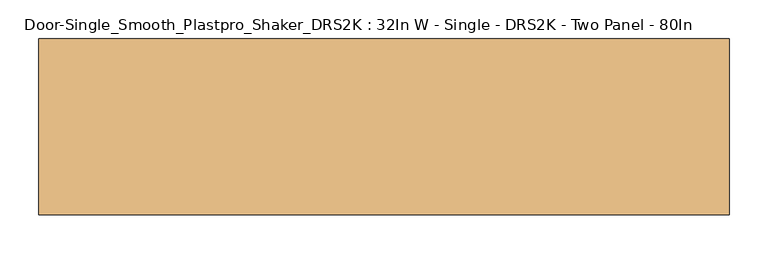
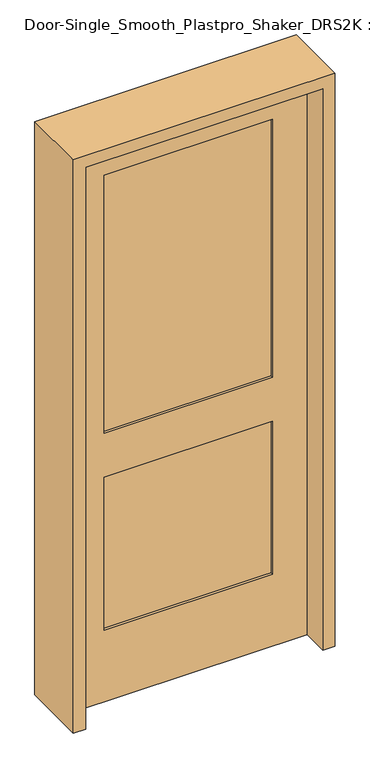
"""IFC4 building model written with IfcOpenShell, lengths in millimetres: door geometry, Door-Single_Smooth_Plastpro_Shaker_DRS2K : 32In W - Single - DRS2K - Two Panel - 80In."""

from ifc_helpers import new_model, si_unit, frame, origin, place, context, project, spatial, polyline, outline, extrude, faceted_brep, source, transform, mapped, element, save


def door_single_smooth_plastpro_shaker_drs2k_32in_w_single_drs2k_82dc8b03(model_context):
    return source(origin(), model_context, "Body", "SolidModel", [
        faceted_brep([(406.4, 20.6375, 2032.0), (-406.4, 20.6375, 2032.0), (-406.4, -20.6375, 2032.0), (406.4, -20.6375, 2032.0), (406.4, 20.6375, 0.0), (406.4, -20.6375, 0.0), (-406.4, -20.6375, 0.0), (-406.4, 20.6375, 0.0), (-288.925, 20.6375, 1905.0), (-288.925, 20.6375, 971.55), (288.925, 20.6375, 971.55), (288.925, 20.6375, 1905.0), (-288.925, 20.6375, 812.8), (-288.925, 20.6375, 260.35), (288.925, 20.6375, 260.35), (288.925, 20.6375, 812.8), (-288.925, -20.6375, 971.55), (-288.925, -20.6375, 1905.0), (288.925, -20.6375, 1905.0), (288.925, -20.6375, 971.55), (-288.925, -20.6375, 260.35), (-288.925, -20.6375, 812.8), (288.925, -20.6375, 812.8), (288.925, -20.6375, 260.35), (-288.925, -11.6572439, 971.55), (288.925, -11.6572439, 971.55), (288.925, -11.6572439, 1905.0), (-288.925, -11.6572439, 1905.0), (-288.925, -11.6572439, 260.35), (288.925, -11.6572439, 260.35), (288.925, -11.6572439, 812.8), (-288.925, -11.6572439, 812.8), (-288.925, 11.6572439, 971.55), (-288.925, 11.6572439, 1905.0), (288.925, 11.6572439, 1905.0), (288.925, 11.6572439, 971.55), (-288.925, 11.6572439, 260.35), (-288.925, 11.6572439, 812.8), (288.925, 11.6572439, 812.8), (288.925, 11.6572439, 260.35)], [[[0, 1, 2, 3]], [[4, 5, 6, 7]], [[1, 0, 4, 7], [8, 9, 10, 11], [12, 13, 14, 15]], [[2, 1, 7, 6]], [[3, 2, 6, 5], [16, 17, 18, 19], [20, 21, 22, 23]], [[0, 3, 5, 4]], [[24, 25, 26, 27]], [[28, 29, 30, 31]], [[24, 27, 17, 16]], [[27, 26, 18, 17]], [[26, 25, 19, 18]], [[25, 24, 16, 19]], [[28, 31, 21, 20]], [[31, 30, 22, 21]], [[30, 29, 23, 22]], [[29, 28, 20, 23]], [[32, 33, 34, 35]], [[36, 37, 38, 39]], [[33, 32, 9, 8]], [[34, 33, 8, 11]], [[35, 34, 11, 10]], [[32, 35, 10, 9]], [[37, 36, 13, 12]], [[38, 37, 12, 15]], [[39, 38, 15, 14]], [[36, 39, 14, 13]]]),
        extrude(outline(polyline([(2073.275, -447.675), (0.0, -447.675), (0.0, -406.4), (2032.0, -406.4), (2032.0, 406.4), (0.0, 406.4), (0.0, 447.675), (2073.275, 447.675), (2073.275, -447.675)])), frame((0.0, -114.3, 0.0), z_axis=(0.0, 1.0, 0.0), x_axis=(0.0, 0.0, 1.0)), (0.0, 0.0, 1.0), 228.6),
    ])


if __name__ == "__main__":
    model = new_model("IFC4")
    model_context = context("Model", 3, world=origin())
    ifc_project = project(units=[si_unit("LENGTHUNIT", "METRE", prefix="MILLI")], contexts=[model_context])
    site = spatial("IfcSite", under=ifc_project)
    building = spatial("IfcBuilding", under=site)
    placement = place(None, origin())
    door_single_smooth_plastpro_shaker_drs2k_32in_w_single_drs2k_shape = door_single_smooth_plastpro_shaker_drs2k_32in_w_single_drs2k_82dc8b03(model_context)
    element("IfcDoor", 1, ObjectType="Door-Single_Smooth_Plastpro_Shaker_DRS2K : 32In W - Single - DRS2K - Two Panel - 80In", at=placement, inside=building, context=model_context, shape_type="MappedRepresentation", body=[
        mapped(door_single_smooth_plastpro_shaker_drs2k_32in_w_single_drs2k_shape, transform((0.0, 0.0, 0.0), x_axis=(1.0, 0.0, 0.0), y_axis=(0.0, 1.0, 0.0), z_axis=(0.0, 0.0, 1.0))),
    ])
    save(model, "model.ifc")
